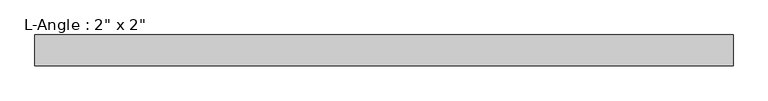
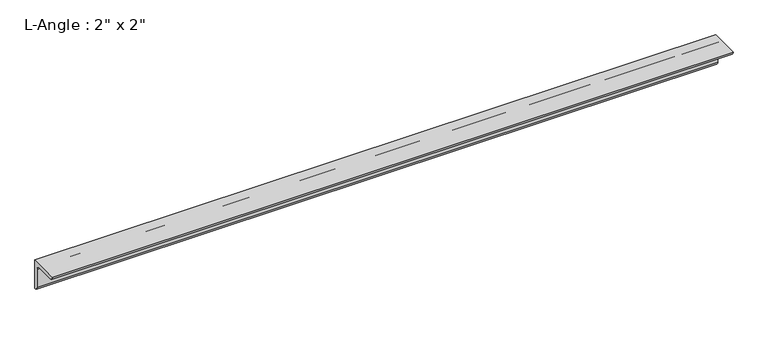
"""IFC4 building model written with IfcOpenShell, lengths in millimetres: beam geometry."""

from ifc_helpers import new_model, si_unit, point, frame, frame_2d, origin, place, context, project, spatial, polyline, circle_curve, trimmed, segment, composite_curve, outline, extrude, source, transform, mapped, element, save


def beam_9e2d0263(model_context):
    return source(origin(), model_context, "Body", "SweptSolid", [
        extrude(outline(composite_curve([segment(polyline([(0.0, 0.0), (0.0, -50.8)]), True, "CONTINUOUS"), segment(trimmed(circle_curve(frame_2d((0.0, -44.45)), 6.35), [point((0.0, -50.8))], [point((-6.35, -44.45))], False, "CARTESIAN"), True, "CONTINUOUS"), segment(polyline([(-6.35, -44.45), (-6.35, -12.7)]), True, "CONTINUOUS"), segment(trimmed(circle_curve(frame_2d((-12.7, -12.7)), 6.35), [point((-6.35, -12.7))], [point((-12.7, -6.35))], True, "CARTESIAN"), True, "CONTINUOUS"), segment(polyline([(-12.7, -6.35), (-44.45, -6.35)]), True, "CONTINUOUS"), segment(trimmed(circle_curve(frame_2d((-44.45, 0.0)), 6.35), [point((-44.45, -6.35))], [point((-50.8, 0.0))], False, "CARTESIAN"), True, "CONTINUOUS"), segment(polyline([(-50.8, 0.0), (0.0, 0.0)]), True, "CONTINUOUS")], self_intersect=False)), frame((-571.9799772, 0.0, 0.0), z_axis=(1.0, 0.0, 0.0), x_axis=(0.0, 1.0, 0.0)), (0.0, 0.0, 1.0), 1143.9599543),
    ])


if __name__ == "__main__":
    model = new_model("IFC4")
    model_context = context("Model", 3, world=origin())
    ifc_project = project(units=[si_unit("LENGTHUNIT", "METRE", prefix="MILLI")], contexts=[model_context])
    site = spatial("IfcSite", under=ifc_project)
    building = spatial("IfcBuilding", under=site)
    placement = place(None, origin())
    beam_shape = beam_9e2d0263(model_context)
    element("IfcBeam", 1, ObjectType="L-Angle : 2\" x 2\"", at=placement, inside=building, context=model_context, shape_type="MappedRepresentation", body=[
        mapped(beam_shape, transform((0.0, 0.0, 0.0), x_axis=(1.0, 0.0, 0.0), y_axis=(0.0, 1.0, 0.0), z_axis=(0.0, 0.0, 1.0))),
    ])
    save(model, "model.ifc")
